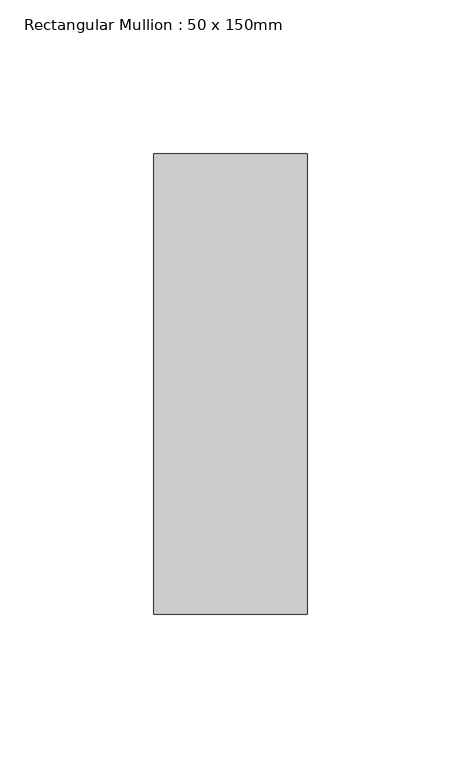
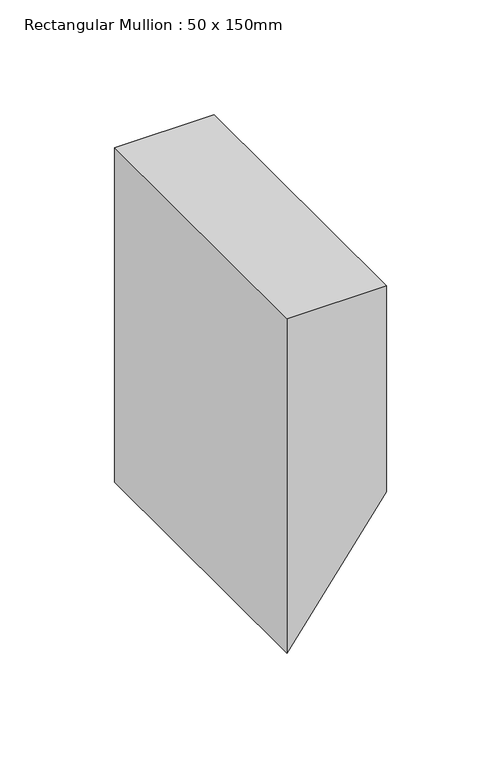
"""IFC4 building model written with IfcOpenShell, lengths in millimetres: member geometry, Rectangular Mullion : 50 x 150mm."""

from ifc_helpers import new_model, si_unit, point, frame, frame_2d, origin, place, context, project, spatial, polyline, circle_curve, trimmed, segment, composite_curve, outline, extrude, source, transform, mapped, element, save


def rectangular_mullion_50_x_150mm_4773708e(model_context):
    return source(origin(), model_context, "Body", "SweptSolid", [
        extrude(outline(composite_curve([segment(polyline([(0.0, 25.0), (0.0, -25.0), (-177.6360644, -25.0)]), True, "CONTINUOUS"), segment(trimmed(circle_curve(frame_2d((8031.7341245, -11142.4463993)), 13819.9628559), [point((-177.6360644, -25.0))], [point((-109.4890181, 25.0))], False, "CARTESIAN"), True, "CONTINUOUS"), segment(polyline([(-109.4890181, 25.0), (0.0, 25.0)]), True, "CONTINUOUS")], self_intersect=False)), frame((0.0, -75.0, 0.0), z_axis=(0.0, 1.0, 0.0), x_axis=(0.0, 0.0, 1.0)), (0.0, 0.0, 1.0), 150.0),
    ])


if __name__ == "__main__":
    model = new_model("IFC4")
    model_context = context("Model", 3, world=origin())
    ifc_project = project(units=[si_unit("LENGTHUNIT", "METRE", prefix="MILLI")], contexts=[model_context])
    site = spatial("IfcSite", under=ifc_project)
    building = spatial("IfcBuilding", under=site)
    placement = place(None, origin())
    rectangular_mullion_50_x_150mm_shape = rectangular_mullion_50_x_150mm_4773708e(model_context)
    element("IfcMember", 1, ObjectType="Rectangular Mullion : 50 x 150mm", at=placement, inside=building, context=model_context, shape_type="MappedRepresentation", body=[
        mapped(rectangular_mullion_50_x_150mm_shape, transform((0.0, 0.0, 0.0), x_axis=(1.0, 0.0, 0.0), y_axis=(0.0, 1.0, 0.0), z_axis=(0.0, 0.0, 1.0))),
    ])
    save(model, "model.ifc")
